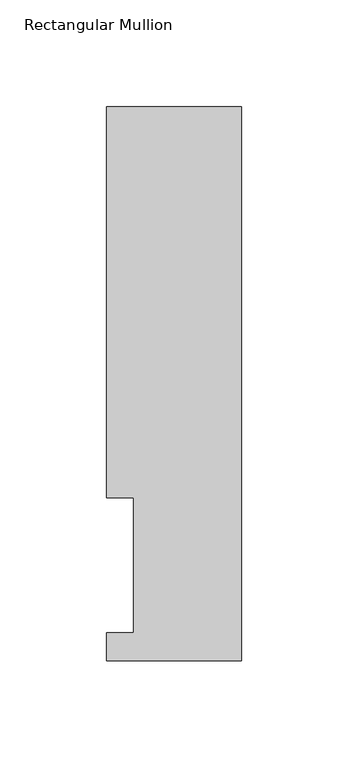
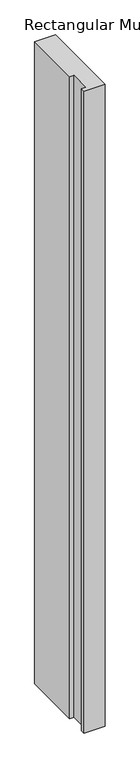
"""IFC4 building model written with IfcOpenShell, lengths in millimetres: member geometry, Rectangular Mullion."""

from ifc_helpers import new_model, si_unit, frame, origin, place, context, project, spatial, polyline, outline, extrude, source, transform, mapped, element, save


def rectangular_mullion_8127cabf(model_context):
    return source(origin(), model_context, "Body", "SweptSolid", [
        extrude(outline(polyline([(31.75, -0.0333811), (-31.75, -0.0333811), (-31.75, 13.1492189), (-19.05, 13.1492189), (-19.05, 76.2992188), (-31.75, 76.2992188), (-31.75, 259.9671074), (31.75, 259.9671074), (31.75, -0.0333811)])), frame((0.0, 0.0, -2057.4), z_axis=(0.0, 0.0, 1.0), x_axis=(1.0, 0.0, 0.0)), (0.0, 0.0, 1.0), 2057.4),
    ])


if __name__ == "__main__":
    model = new_model("IFC4")
    model_context = context("Model", 3, world=origin())
    ifc_project = project(units=[si_unit("LENGTHUNIT", "METRE", prefix="MILLI")], contexts=[model_context])
    site = spatial("IfcSite", under=ifc_project)
    building = spatial("IfcBuilding", under=site)
    placement = place(None, origin())
    rectangular_mullion_shape = rectangular_mullion_8127cabf(model_context)
    element("IfcMember", 1, ObjectType="Rectangular Mullion", at=placement, inside=building, context=model_context, shape_type="MappedRepresentation", body=[
        mapped(rectangular_mullion_shape, transform((0.0, 0.0, 0.0), x_axis=(1.0, 0.0, 0.0), y_axis=(0.0, 1.0, 0.0), z_axis=(0.0, 0.0, 1.0))),
    ])
    save(model, "model.ifc")
